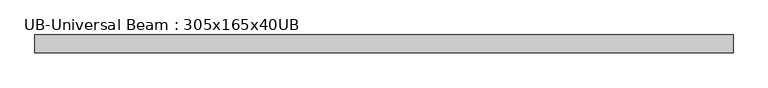
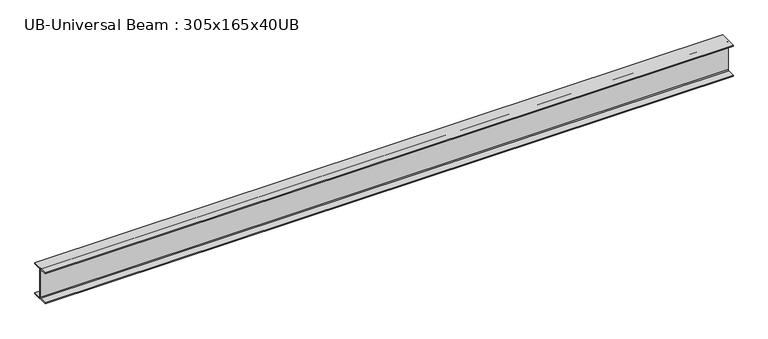
"""IFC4 building model written with IfcOpenShell, lengths in millimetres: beam geometry, UB-Universal Beam : 305x165x40UB."""

from ifc_helpers import new_model, si_unit, point, frame, frame_2d, origin, place, context, project, spatial, polyline, circle_curve, trimmed, segment, composite_curve, outline, extrude, source, transform, mapped, element, save


def ub_universal_beam_305x165x40ub_8278c195(model_context):
    return source(origin(), model_context, "Body", "SweptSolid", [
        extrude(outline(composite_curve([segment(polyline([(82.5, -141.5), (82.5, -151.7), (-82.5, -151.7), (-82.5, -141.5), (-11.9, -141.5)]), True, "CONTINUOUS"), segment(trimmed(circle_curve(frame_2d((-11.9, -132.6)), 8.9), [point((-11.9, -141.5))], [point((-3.0, -132.6))], True, "CARTESIAN"), True, "CONTINUOUS"), segment(polyline([(-3.0, -132.6), (-3.0, 132.6)]), True, "CONTINUOUS"), segment(trimmed(circle_curve(frame_2d((-11.9, 132.6)), 8.9), [point((-3.0, 132.6))], [point((-11.9, 141.5))], True, "CARTESIAN"), True, "CONTINUOUS"), segment(polyline([(-11.9, 141.5), (-82.5, 141.5), (-82.5, 151.7), (82.5, 151.7), (82.5, 141.5), (11.9, 141.5)]), True, "CONTINUOUS"), segment(trimmed(circle_curve(frame_2d((11.9, 132.6)), 8.9), [point((11.9, 141.5))], [point((3.0, 132.6))], True, "CARTESIAN"), True, "CONTINUOUS"), segment(polyline([(3.0, 132.6), (3.0, -132.6)]), True, "CONTINUOUS"), segment(trimmed(circle_curve(frame_2d((11.9, -132.6)), 8.9), [point((3.0, -132.6))], [point((11.9, -141.5))], True, "CARTESIAN"), True, "CONTINUOUS"), segment(polyline([(11.9, -141.5), (82.5, -141.5)]), True, "CONTINUOUS")], self_intersect=False)), frame((-3186.6352453, 0.0, 0.0), z_axis=(1.0, 0.0, 0.0), x_axis=(0.0, 1.0, 0.0)), (0.0, 0.0, 1.0), 6373.2704907),
    ])


if __name__ == "__main__":
    model = new_model("IFC4")
    model_context = context("Model", 3, world=origin())
    ifc_project = project(units=[si_unit("LENGTHUNIT", "METRE", prefix="MILLI")], contexts=[model_context])
    site = spatial("IfcSite", under=ifc_project)
    building = spatial("IfcBuilding", under=site)
    placement = place(None, origin())
    ub_universal_beam_305x165x40ub_shape = ub_universal_beam_305x165x40ub_8278c195(model_context)
    element("IfcBeam", 1, ObjectType="UB-Universal Beam : 305x165x40UB", at=placement, inside=building, context=model_context, shape_type="MappedRepresentation", body=[
        mapped(ub_universal_beam_305x165x40ub_shape, transform((0.0, 0.0, 0.0), x_axis=(1.0, 0.0, 0.0), y_axis=(0.0, 1.0, 0.0), z_axis=(0.0, 0.0, 1.0))),
    ])
    save(model, "model.ifc")
